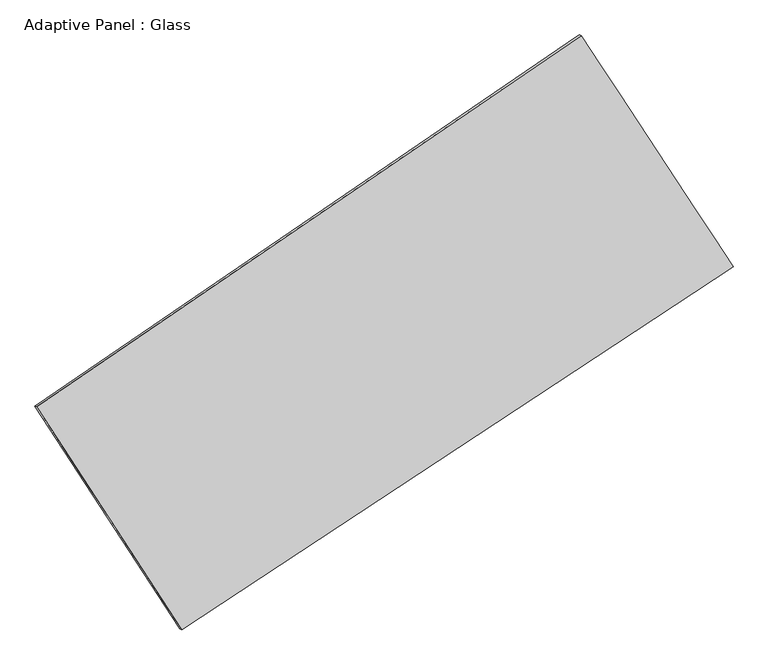
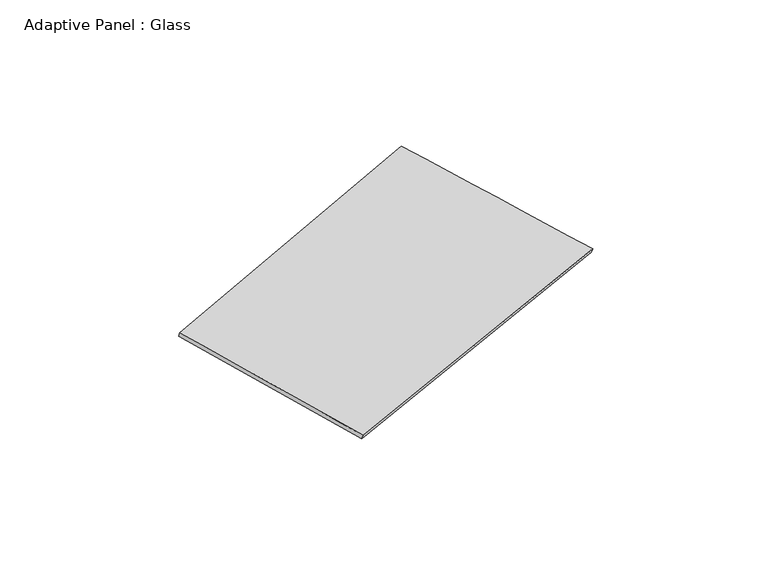
"""IFC4 building model written with IfcOpenShell, lengths in millimetres: plate geometry, Adaptive Panel : Glass."""

from ifc_helpers import new_model, si_unit, frame, origin, place, context, project, spatial, source, transform, mapped, element, save
from ifc_brep_helpers import plane_surface, spline_surface, advanced_brep


def adaptive_panel_glass_53695001(model_context):
    return source(origin(), model_context, "Body", "AdvancedBrep", [
        advanced_brep(
        [(1088.8351495, 2527.1238668, 673.0739807), (-3694.3856612, -733.9808725, 1742.0892301), (-3679.7193054, -740.360966, 1789.4621381), (1103.5015053, 2520.7437734, 720.4468887), (-2421.3007984, -2690.0701678, 1056.6808888), (-2406.6344426, -2696.4502612, 1104.0537968), (2423.560732, 496.6786006, 13.2784206), (2438.2270879, 490.2985071, 60.6513286)],
        [
            (0, 1),
            (1, 2),
            (2, 3),
            (3, 0),
            (1, 4),
            (4, 5),
            (5, 2),
            (4, 6),
            (6, 7),
            (7, 5),
            (6, 0),
            (3, 7),
        ],
        [
            plane_surface(frame((-1302.7752559, 896.5714972, 1207.5816054), z_axis=(-0.5016781558842139, 0.8230877567550275, 0.2661683162748547), x_axis=(-0.8125053061141485, -0.5539499449046216, 0.18158905825109833))),
            plane_surface(frame((-3057.8432298, -1712.0255201, 1399.3850594), z_axis=(-0.7979139690994667, -0.578563146524238, 0.16910938294461567), x_axis=(0.5233754645140332, -0.8041641004728023, -0.2817769022746346))),
            plane_surface(frame((1.1299668, -1096.6957836, 534.9796547), z_axis=(0.4898428752301708, -0.8310138035139747, -0.2635716524125398), x_axis=(0.8222651854436736, 0.5408519006204267, -0.1770852517928963))),
            plane_surface(frame((1756.1979407, 1511.9012337, 343.1762007), z_axis=(0.7975303803003306, 0.5791495010632912, -0.16891165713517475), x_axis=(-0.5301068734791714, 0.8064226878712037, 0.2620479940330033))),
            spline_surface(1, 1, [[(-3679.7193054, -740.360966, 1789.4621381), (1103.5015053, 2520.7437734, 720.4468887)], [(-2406.6344426, -2696.4502612, 1104.0537968), (2438.2270879, 490.2985071, 60.6513286)]], [2, 2], [2, 2], [0.0, 1.0], [0.0, 1.0]),
            spline_surface(1, 1, [[(2423.560732, 496.6786006, 13.2784206), (1088.8351495, 2527.1238668, 673.0739807)], [(-2421.3007984, -2690.0701678, 1056.6808888), (-3694.3856612, -733.9808725, 1742.0892301)]], [2, 2], [2, 2], [0.0, 1.0], [0.0, 1.0]),
        ],
        [
            (0, [[1, 2, 3, 4]]),
            (1, [[5, 6, 7, -2]]),
            (2, [[8, 9, 10, -6]]),
            (3, [[11, -4, 12, -9]]),
            (4, [[-3, -7, -10, -12]]),
            (5, [[-11, -8, -5, -1]]),
        ],
    ),
    ])


if __name__ == "__main__":
    model = new_model("IFC4")
    model_context = context("Model", 3, world=origin())
    ifc_project = project(units=[si_unit("LENGTHUNIT", "METRE", prefix="MILLI")], contexts=[model_context])
    site = spatial("IfcSite", under=ifc_project)
    building = spatial("IfcBuilding", under=site)
    placement = place(None, origin())
    adaptive_panel_glass_shape = adaptive_panel_glass_53695001(model_context)
    element("IfcPlate", 1, ObjectType="Adaptive Panel : Glass", at=placement, inside=building, context=model_context, shape_type="MappedRepresentation", body=[
        mapped(adaptive_panel_glass_shape, transform((0.0, 0.0, 0.0), x_axis=(1.0, 0.0, 0.0), y_axis=(0.0, 1.0, 0.0), z_axis=(0.0, 0.0, 1.0))),
    ])
    save(model, "model.ifc")
